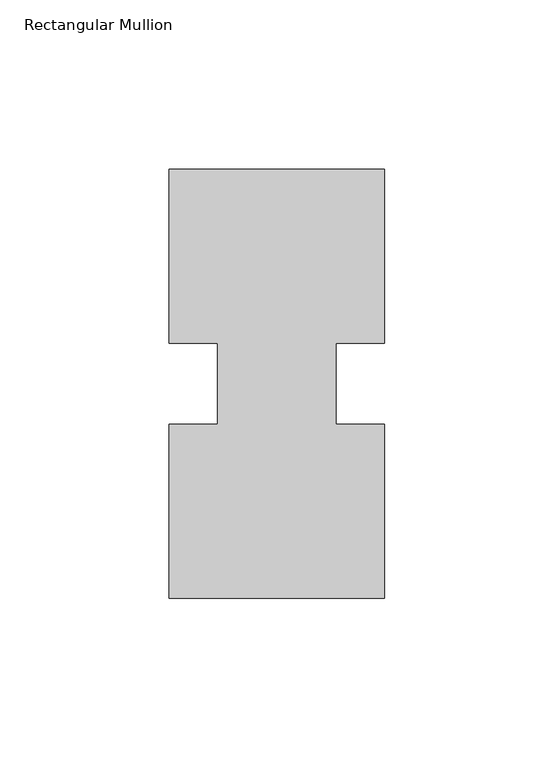
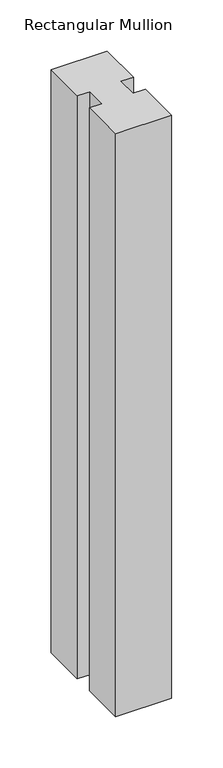
"""IFC4 building model written with IfcOpenShell, lengths in millimetres: member geometry, Rectangular Mullion."""

from ifc_helpers import new_model, si_unit, frame, origin, place, context, project, spatial, polyline, outline, extrude, source, transform, mapped, element, save


def rectangular_mullion_e10eec3c(model_context):
    return source(origin(), model_context, "Body", "SweptSolid", [
        extrude(outline(polyline([(-63.5, 0.26035), (-63.5, 51.60645), (-49.2125, 51.60645), (-49.2125, 75.40625), (-63.5, 75.40625), (-63.5, 126.75235), (0.0, 126.75235), (0.0, 75.40625), (-14.2748, 75.40625), (-14.2748, 51.60645), (0.0, 51.60645), (0.0, 0.26035), (-63.5, 0.26035)])), frame((0.0, 0.0, -696.0968109), z_axis=(0.0, 0.0, 1.0), x_axis=(1.0, 0.0, 0.0)), (0.0, 0.0, 1.0), 696.0968109),
    ])


if __name__ == "__main__":
    model = new_model("IFC4")
    model_context = context("Model", 3, world=origin())
    ifc_project = project(units=[si_unit("LENGTHUNIT", "METRE", prefix="MILLI")], contexts=[model_context])
    site = spatial("IfcSite", under=ifc_project)
    building = spatial("IfcBuilding", under=site)
    placement = place(None, origin())
    rectangular_mullion_shape = rectangular_mullion_e10eec3c(model_context)
    element("IfcMember", 1, ObjectType="Rectangular Mullion", at=placement, inside=building, context=model_context, shape_type="MappedRepresentation", body=[
        mapped(rectangular_mullion_shape, transform((0.0, 0.0, 0.0), x_axis=(1.0, 0.0, 0.0), y_axis=(0.0, 1.0, 0.0), z_axis=(0.0, 0.0, 1.0))),
    ])
    save(model, "model.ifc")
